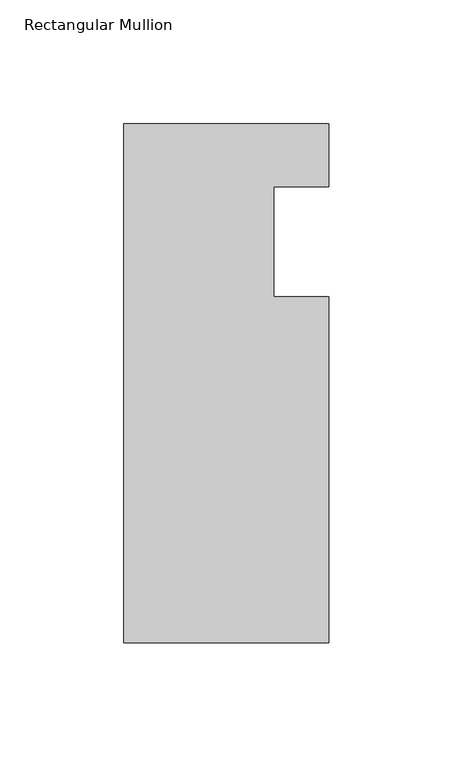
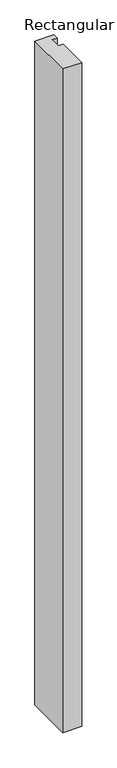
"""IFC4 building model written with IfcOpenShell, lengths in millimetres: member geometry, Rectangular Mullion."""

from ifc_helpers import new_model, si_unit, frame, origin, place, context, project, spatial, polyline, outline, extrude, source, transform, mapped, element, save


def rectangular_mullion_05aaf83c(model_context):
    return source(origin(), model_context, "Body", "SweptSolid", [
        extrude(outline(polyline([(0.0, -99.2493436), (-82.7668749, -99.2493436), (-82.7668749, 110.363), (-1.5e-06, 110.363), (-1.5e-06, 84.9501439), (-22.2248865, 84.9501439), (-22.2248865, 40.513), (0.0, 40.513), (0.0, -99.2493436)])), frame((0.0, 0.0, -3048.0), z_axis=(0.0, 0.0, 1.0), x_axis=(1.0, 0.0, 0.0)), (0.0, 0.0, 1.0), 3048.0),
    ])


if __name__ == "__main__":
    model = new_model("IFC4")
    model_context = context("Model", 3, world=origin())
    ifc_project = project(units=[si_unit("LENGTHUNIT", "METRE", prefix="MILLI")], contexts=[model_context])
    site = spatial("IfcSite", under=ifc_project)
    building = spatial("IfcBuilding", under=site)
    placement = place(None, origin())
    rectangular_mullion_shape = rectangular_mullion_05aaf83c(model_context)
    element("IfcMember", 1, ObjectType="Rectangular Mullion", at=placement, inside=building, context=model_context, shape_type="MappedRepresentation", body=[
        mapped(rectangular_mullion_shape, transform((0.0, 0.0, 0.0), x_axis=(1.0, 0.0, 0.0), y_axis=(0.0, 1.0, 0.0), z_axis=(0.0, 0.0, 1.0))),
    ])
    save(model, "model.ifc")
